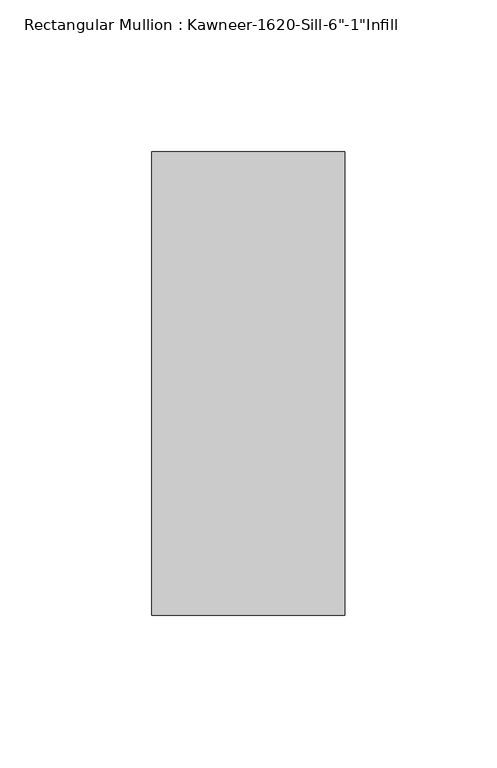
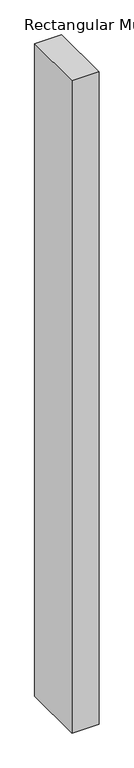
"""IFC4 building model written with IfcOpenShell, lengths in millimetres: member geometry."""

from ifc_helpers import new_model, si_unit, frame, origin, place, context, project, spatial, polyline, outline, extrude, source, transform, mapped, element, save


def member_e1569015(model_context):
    return source(origin(), model_context, "Body", "SweptSolid", [
        extrude(outline(polyline([(-63.5, 38.1), (0.0, 38.1), (0.0, -114.3), (-63.5, -114.3), (-63.5, 38.1)])), frame((0.0, 0.0, -1625.6), z_axis=(0.0, 0.0, 1.0), x_axis=(1.0, 0.0, 0.0)), (0.0, 0.0, 1.0), 1625.6),
    ])


if __name__ == "__main__":
    model = new_model("IFC4")
    model_context = context("Model", 3, world=origin())
    ifc_project = project(units=[si_unit("LENGTHUNIT", "METRE", prefix="MILLI")], contexts=[model_context])
    site = spatial("IfcSite", under=ifc_project)
    building = spatial("IfcBuilding", under=site)
    placement = place(None, origin())
    member_shape = member_e1569015(model_context)
    element("IfcMember", 1, ObjectType="Rectangular Mullion : Kawneer-1620-Sill-6\"-1\"Infill", at=placement, inside=building, context=model_context, shape_type="MappedRepresentation", body=[
        mapped(member_shape, transform((0.0, 0.0, 0.0), x_axis=(1.0, 0.0, 0.0), y_axis=(0.0, 1.0, 0.0), z_axis=(0.0, 0.0, 1.0))),
    ])
    save(model, "model.ifc")
